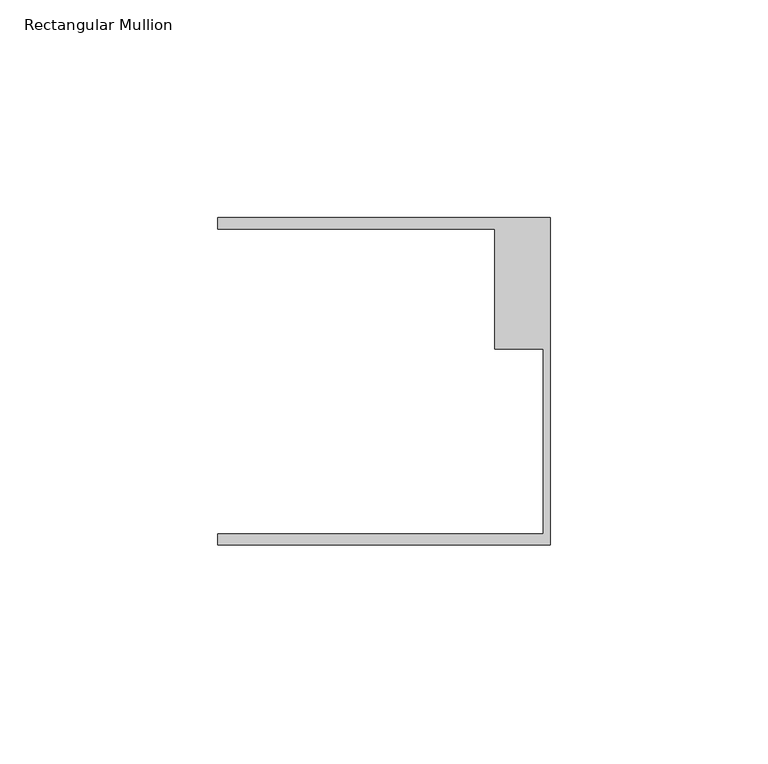
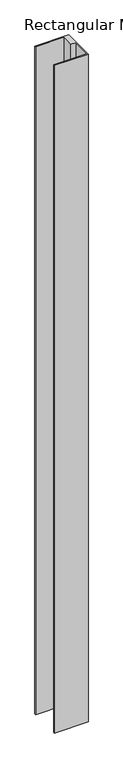
"""IFC4 building model written with IfcOpenShell, lengths in millimetres: member geometry, Rectangular Mullion."""

import ifcopenshell
import ifcopenshell.guid

model = None  # the IFC model being written
_history = None  # IfcOwnerHistory: only IFC2X3 demands one
_inside = {}  # id of a spatial element -> (the spatial element, [elements in it])
_under = {}  # id of a project, library or spatial element -> (it, [spatial elements below it])
_declared = {}  # id of a project -> (the project, [libraries it declares])
_typed = {}  # id of a type object -> (the type object, [elements of that type])
_made_of = {}  # id of a material, layer set ... -> (it, [elements and type objects made of it])


def new_model(schema):
    """Start an empty IFC model of exactly this schema.

    Asked for "IFC4X3", IfcOpenShell would pick the latest addendum, in which some entities
    have other attributes; the version numbers below select the first issue.
    IFC2X3 requires an IfcOwnerHistory on every rooted entity: one is made here for all.
    """
    global model, _history
    if schema == "IFC4X3":
        model = ifcopenshell.file(schema_version=(4, 3, 0, 0))
    else:
        model = ifcopenshell.file(schema=schema)
    _inside.clear()
    _under.clear()
    _declared.clear()
    _typed.clear()
    _made_of.clear()
    _history = None
    if model.schema == "IFC2X3":
        org = make("IfcOrganization", Name="unknown")
        user = make(
            "IfcPersonAndOrganization",
            ThePerson=make("IfcPerson", FamilyName="unknown"),
            TheOrganization=org,
        )
        app = make(
            "IfcApplication",
            ApplicationDeveloper=org,
            Version="unknown",
            ApplicationFullName="unknown",
            ApplicationIdentifier="unknown",
        )
        _history = make(
            "IfcOwnerHistory",
            OwningUser=user,
            OwningApplication=app,
            ChangeAction="ADDED",
            CreationDate=0,
        )
    return model


def make(cls, **values):
    """One entity of the class cls with the attributes given. An attribute that is None is left unset."""
    return model.create_entity(
        cls, **{name: value for name, value in values.items() if value is not None}
    )


def rooted(cls, **values):
    """An entity with a GlobalId (a new one), such as an element, a storey or a relation."""
    return make(cls, GlobalId=ifcopenshell.guid.new(), OwnerHistory=_history, **values)


def si_unit(unit_type, name, prefix=None):
    """IfcSIUnit, for example si_unit("LENGTHUNIT", "METRE", prefix="MILLI")."""
    return make("IfcSIUnit", UnitType=unit_type, Prefix=prefix, Name=name)


def assignment(units):
    """IfcUnitAssignment: the units of a project."""
    return None if units is None else make("IfcUnitAssignment", Units=units)


def point(xyz):
    """IfcCartesianPoint."""
    return None if xyz is None else make("IfcCartesianPoint", Coordinates=xyz)


def direction(xyz):
    """IfcDirection."""
    return None if xyz is None else make("IfcDirection", DirectionRatios=xyz)


def frame(location, z_axis=None, x_axis=None):
    """IfcAxis2Placement3D, a coordinate frame: its origin and axes. An axis left out is left unset."""
    return make(
        "IfcAxis2Placement3D",
        Location=point(location),
        Axis=direction(z_axis),
        RefDirection=direction(x_axis),
    )


def origin():
    """The frame at (0, 0, 0) with its axes left unset."""
    return frame((0.0, 0.0, 0.0))


def place(relative_to, where):
    """IfcLocalPlacement: puts the frame where relative to a parent placement (None: the world)."""
    return make(
        "IfcLocalPlacement", PlacementRelTo=relative_to, RelativePlacement=where
    )


def context(
    kind, dimensions, precision=None, world=None, true_north=None, identifier=None
):
    """IfcGeometricRepresentationContext, for example the 3D "Model" context."""
    return make(
        "IfcGeometricRepresentationContext",
        ContextIdentifier=identifier,
        ContextType=kind,
        CoordinateSpaceDimension=dimensions,
        Precision=precision,
        WorldCoordinateSystem=world,
        TrueNorth=true_north,
    )


def project(units=None, contexts=None):
    """IfcProject with its units and contexts."""
    return rooted(
        "IfcProject",
        Name="project",
        RepresentationContexts=contexts,
        UnitsInContext=assignment(units),
    )


def spatial(cls, under=None, at=None, **own):
    """A site, building, storey or space (cls), placed at a placement, below another one or the project."""
    s = rooted(cls, ObjectPlacement=at, **own)
    if under is not None:
        _under.setdefault(under.id(), (under, []))[1].append(s)
    return s


def polyline(points):
    """IfcPolyline through the points."""
    return make("IfcPolyline", Points=[point(p) for p in points])


def outline(outer, holes=None, kind="AREA"):
    """IfcArbitraryClosedProfileDef: a profile drawn as a closed curve; with holes, ...WithVoids."""
    if holes is None:
        return make("IfcArbitraryClosedProfileDef", ProfileType=kind, OuterCurve=outer)
    return make(
        "IfcArbitraryProfileDefWithVoids",
        ProfileType=kind,
        OuterCurve=outer,
        InnerCurves=holes,
    )


def extrude(swept, where, along, depth):
    """IfcExtrudedAreaSolid: the profile swept, set in the frame where, extruded along a direction by depth."""
    return make(
        "IfcExtrudedAreaSolid",
        SweptArea=swept,
        Position=where,
        ExtrudedDirection=direction(along),
        Depth=depth,
    )


def shape(context_of_items, identifier, shape_type, items):
    """IfcShapeRepresentation: the items that make up one representation, for example the "Body"."""
    return make(
        "IfcShapeRepresentation",
        ContextOfItems=context_of_items,
        RepresentationIdentifier=identifier,
        RepresentationType=shape_type,
        Items=items,
    )


def source(mapping_origin, context_of_items, identifier, shape_type, items):
    """IfcRepresentationMap: a shape defined once, which mapped items show again and again."""
    return make(
        "IfcRepresentationMap",
        MappingOrigin=mapping_origin,
        MappedRepresentation=shape(context_of_items, identifier, shape_type, items),
    )


def transform(
    local_origin,
    x_axis=None,
    y_axis=None,
    z_axis=None,
    scale=None,
    scale2=None,
    scale3=None,
    uniform=True,
):
    """IfcCartesianTransformationOperator3D, or its non-uniform kind. x_axis, y_axis, z_axis: its Axis1, 2, 3."""
    if uniform:
        return make(
            "IfcCartesianTransformationOperator3D",
            Axis1=direction(x_axis),
            Axis2=direction(y_axis),
            LocalOrigin=point(local_origin),
            Scale=scale,
            Axis3=direction(z_axis),
        )
    return make(
        "IfcCartesianTransformationOperator3DnonUniform",
        Axis1=direction(x_axis),
        Axis2=direction(y_axis),
        LocalOrigin=point(local_origin),
        Scale=scale,
        Axis3=direction(z_axis),
        Scale2=scale2,
        Scale3=scale3,
    )


def mapped(mapping_source, mapping_target):
    """IfcMappedItem: shows the shape of a source again, moved by a transform."""
    return make(
        "IfcMappedItem", MappingSource=mapping_source, MappingTarget=mapping_target
    )


def made_of(thing, what):
    """Note that an element or type object is made of a material, layer set ...; save() writes the relation."""
    if what is not None:
        _made_of.setdefault(what.id(), (what, []))[1].append(thing)
    return thing


def element(
    cls,
    number,
    at=None,
    inside=None,
    cuts=None,
    type_object=None,
    material=None,
    context=None,
    identifier="Body",
    shape_type=None,
    held_by="IfcProductDefinitionShape",
    body=None,
    shapes=None,
    **own,
):
    """One element of the class cls, such as IfcWall. Its Tag is "e" and its number.

    at: its placement. inside: the storey or other place that contains it. cuts: it is an
    opening in that element (IfcRelVoidsElement). A single representation is given by context,
    identifier, shape_type and body (its items); several are given by shapes. held_by: the class
    of the entity that holds the representations. save() writes the other relations.
    """
    e = rooted(cls, Tag="e%d" % number, ObjectPlacement=at, **own)
    if body is not None:
        shapes = [shape(context, identifier, shape_type, body)]
    if shapes is not None:
        e.Representation = make(held_by, Representations=shapes)
    if inside is not None:
        _inside.setdefault(inside.id(), (inside, []))[1].append(e)
    if cuts is not None:
        rooted(
            "IfcRelVoidsElement", RelatingBuildingElement=cuts, RelatedOpeningElement=e
        )
    if type_object is not None:
        _typed.setdefault(type_object.id(), (type_object, []))[1].append(e)
    return made_of(e, material)


def aggregate(whole, parts):
    """IfcRelAggregates: a whole, such as a stair, and the parts it consists of."""
    return rooted("IfcRelAggregates", RelatingObject=whole, RelatedObjects=parts)


def save(model, path):
    """Write the relations noted so far, then the file.

    IfcRelAggregates (storeys below a building ...), IfcRelContainedInSpatialStructure (elements
    in a storey), IfcRelDefinesByType, IfcRelAssociatesMaterial and IfcRelDeclares: one each for
    every whole, place, type object, material and project.
    """
    for whole, parts in _under.values():
        aggregate(whole, parts)
    for where, things in _inside.values():
        rooted(
            "IfcRelContainedInSpatialStructure",
            RelatedElements=things,
            RelatingStructure=where,
        )
    for kind, things in _typed.values():
        rooted("IfcRelDefinesByType", RelatedObjects=things, RelatingType=kind)
    for what, things in _made_of.values():
        rooted("IfcRelAssociatesMaterial", RelatedObjects=things, RelatingMaterial=what)
    for by, libraries in _declared.values():
        rooted("IfcRelDeclares", RelatingContext=by, RelatedDefinitions=libraries)
    model.write(path)


def rectangular_mullion_fba05e21(model_context):
    return source(origin(), model_context, "Body", "SweptSolid", [
        extrude(outline(polyline([(0.0, -37.5776386), (-76.2, -37.5776386), (-76.2, -35.0376386), (-1.5875, -35.0376386), (-1.5875, 7.3398614), (-12.7, 7.3398614), (-12.7, 34.9623614), (-76.2, 34.9623614), (-76.2, 37.5023614), (0.0, 37.5023614), (0.0, -37.5776386)])), frame((0.0, 0.0, -1589.3068003), z_axis=(0.0, 0.0, 1.0), x_axis=(1.0, 0.0, 0.0)), (0.0, 0.0, 1.0), 1589.3068003),
    ])


if __name__ == "__main__":
    model = new_model("IFC4")
    model_context = context("Model", 3, world=origin())
    ifc_project = project(units=[si_unit("LENGTHUNIT", "METRE", prefix="MILLI")], contexts=[model_context])
    site = spatial("IfcSite", under=ifc_project)
    building = spatial("IfcBuilding", under=site)
    placement = place(None, origin())
    rectangular_mullion_shape = rectangular_mullion_fba05e21(model_context)
    element("IfcMember", 1, ObjectType="Rectangular Mullion", at=placement, inside=building, context=model_context, shape_type="MappedRepresentation", body=[
        mapped(rectangular_mullion_shape, transform((0.0, 0.0, 0.0), x_axis=(1.0, 0.0, 0.0), y_axis=(0.0, 1.0, 0.0), z_axis=(0.0, 0.0, 1.0))),
    ])
    save(model, "model.ifc")
